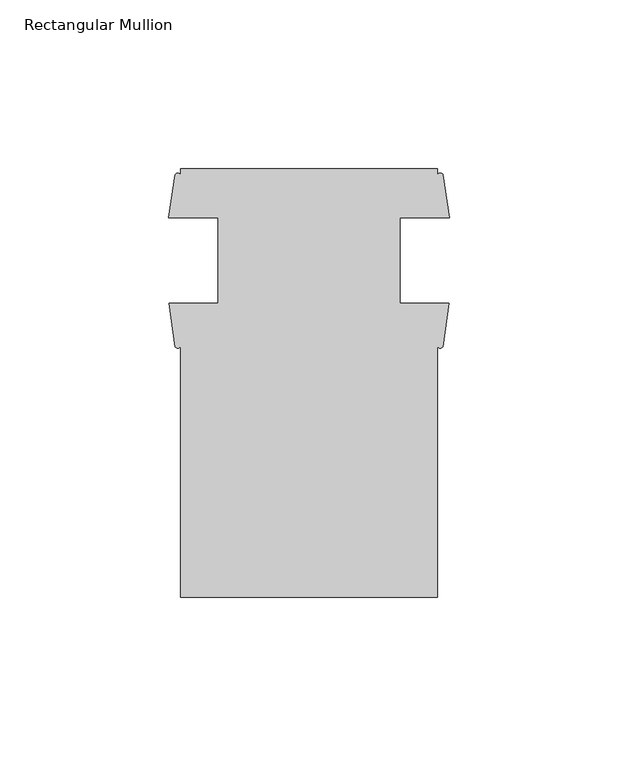
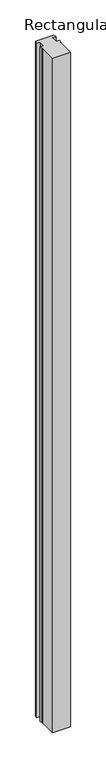
"""IFC4 building model written with IfcOpenShell, lengths in millimetres: member geometry, Rectangular Mullion."""

import ifcopenshell
import ifcopenshell.guid

model = None  # the IFC model being written
_history = None  # IfcOwnerHistory: only IFC2X3 demands one
_inside = {}  # id of a spatial element -> (the spatial element, [elements in it])
_under = {}  # id of a project, library or spatial element -> (it, [spatial elements below it])
_declared = {}  # id of a project -> (the project, [libraries it declares])
_typed = {}  # id of a type object -> (the type object, [elements of that type])
_made_of = {}  # id of a material, layer set ... -> (it, [elements and type objects made of it])


def new_model(schema):
    """Start an empty IFC model of exactly this schema.

    Asked for "IFC4X3", IfcOpenShell would pick the latest addendum, in which some entities
    have other attributes; the version numbers below select the first issue.
    IFC2X3 requires an IfcOwnerHistory on every rooted entity: one is made here for all.
    """
    global model, _history
    if schema == "IFC4X3":
        model = ifcopenshell.file(schema_version=(4, 3, 0, 0))
    else:
        model = ifcopenshell.file(schema=schema)
    _inside.clear()
    _under.clear()
    _declared.clear()
    _typed.clear()
    _made_of.clear()
    _history = None
    if model.schema == "IFC2X3":
        org = make("IfcOrganization", Name="unknown")
        user = make(
            "IfcPersonAndOrganization",
            ThePerson=make("IfcPerson", FamilyName="unknown"),
            TheOrganization=org,
        )
        app = make(
            "IfcApplication",
            ApplicationDeveloper=org,
            Version="unknown",
            ApplicationFullName="unknown",
            ApplicationIdentifier="unknown",
        )
        _history = make(
            "IfcOwnerHistory",
            OwningUser=user,
            OwningApplication=app,
            ChangeAction="ADDED",
            CreationDate=0,
        )
    return model


def make(cls, **values):
    """One entity of the class cls with the attributes given. An attribute that is None is left unset."""
    return model.create_entity(
        cls, **{name: value for name, value in values.items() if value is not None}
    )


def rooted(cls, **values):
    """An entity with a GlobalId (a new one), such as an element, a storey or a relation."""
    return make(cls, GlobalId=ifcopenshell.guid.new(), OwnerHistory=_history, **values)


def si_unit(unit_type, name, prefix=None):
    """IfcSIUnit, for example si_unit("LENGTHUNIT", "METRE", prefix="MILLI")."""
    return make("IfcSIUnit", UnitType=unit_type, Prefix=prefix, Name=name)


def assignment(units):
    """IfcUnitAssignment: the units of a project."""
    return None if units is None else make("IfcUnitAssignment", Units=units)


def point(xyz):
    """IfcCartesianPoint."""
    return None if xyz is None else make("IfcCartesianPoint", Coordinates=xyz)


def direction(xyz):
    """IfcDirection."""
    return None if xyz is None else make("IfcDirection", DirectionRatios=xyz)


def frame(location, z_axis=None, x_axis=None):
    """IfcAxis2Placement3D, a coordinate frame: its origin and axes. An axis left out is left unset."""
    return make(
        "IfcAxis2Placement3D",
        Location=point(location),
        Axis=direction(z_axis),
        RefDirection=direction(x_axis),
    )


def frame_2d(location, x_axis=None):
    """IfcAxis2Placement2D, a coordinate frame in the plane: its origin and x axis."""
    return make(
        "IfcAxis2Placement2D", Location=point(location), RefDirection=direction(x_axis)
    )


def origin():
    """The frame at (0, 0, 0) with its axes left unset."""
    return frame((0.0, 0.0, 0.0))


def place(relative_to, where):
    """IfcLocalPlacement: puts the frame where relative to a parent placement (None: the world)."""
    return make(
        "IfcLocalPlacement", PlacementRelTo=relative_to, RelativePlacement=where
    )


def context(
    kind, dimensions, precision=None, world=None, true_north=None, identifier=None
):
    """IfcGeometricRepresentationContext, for example the 3D "Model" context."""
    return make(
        "IfcGeometricRepresentationContext",
        ContextIdentifier=identifier,
        ContextType=kind,
        CoordinateSpaceDimension=dimensions,
        Precision=precision,
        WorldCoordinateSystem=world,
        TrueNorth=true_north,
    )


def project(units=None, contexts=None):
    """IfcProject with its units and contexts."""
    return rooted(
        "IfcProject",
        Name="project",
        RepresentationContexts=contexts,
        UnitsInContext=assignment(units),
    )


def spatial(cls, under=None, at=None, **own):
    """A site, building, storey or space (cls), placed at a placement, below another one or the project."""
    s = rooted(cls, ObjectPlacement=at, **own)
    if under is not None:
        _under.setdefault(under.id(), (under, []))[1].append(s)
    return s


def polyline(points):
    """IfcPolyline through the points."""
    return make("IfcPolyline", Points=[point(p) for p in points])


def circle_curve(where, radius):
    """IfcCircle in the frame where."""
    return make("IfcCircle", Position=where, Radius=radius)


def trimmed(basis, trim1, trim2, sense, master):
    """IfcTrimmedCurve: the piece of a basis curve between two trims."""
    return make(
        "IfcTrimmedCurve",
        BasisCurve=basis,
        Trim1=trim1,
        Trim2=trim2,
        SenseAgreement=sense,
        MasterRepresentation=master,
    )


def segment(curve, same_sense, transition):
    """IfcCompositeCurveSegment."""
    return make(
        "IfcCompositeCurveSegment",
        Transition=transition,
        SameSense=same_sense,
        ParentCurve=curve,
    )


def composite_curve(segments, self_intersect=None):
    """IfcCompositeCurve: segments joined end to end."""
    return make("IfcCompositeCurve", Segments=segments, SelfIntersect=self_intersect)


def outline(outer, holes=None, kind="AREA"):
    """IfcArbitraryClosedProfileDef: a profile drawn as a closed curve; with holes, ...WithVoids."""
    if holes is None:
        return make("IfcArbitraryClosedProfileDef", ProfileType=kind, OuterCurve=outer)
    return make(
        "IfcArbitraryProfileDefWithVoids",
        ProfileType=kind,
        OuterCurve=outer,
        InnerCurves=holes,
    )


def extrude(swept, where, along, depth):
    """IfcExtrudedAreaSolid: the profile swept, set in the frame where, extruded along a direction by depth."""
    return make(
        "IfcExtrudedAreaSolid",
        SweptArea=swept,
        Position=where,
        ExtrudedDirection=direction(along),
        Depth=depth,
    )


def shape(context_of_items, identifier, shape_type, items):
    """IfcShapeRepresentation: the items that make up one representation, for example the "Body"."""
    return make(
        "IfcShapeRepresentation",
        ContextOfItems=context_of_items,
        RepresentationIdentifier=identifier,
        RepresentationType=shape_type,
        Items=items,
    )


def source(mapping_origin, context_of_items, identifier, shape_type, items):
    """IfcRepresentationMap: a shape defined once, which mapped items show again and again."""
    return make(
        "IfcRepresentationMap",
        MappingOrigin=mapping_origin,
        MappedRepresentation=shape(context_of_items, identifier, shape_type, items),
    )


def transform(
    local_origin,
    x_axis=None,
    y_axis=None,
    z_axis=None,
    scale=None,
    scale2=None,
    scale3=None,
    uniform=True,
):
    """IfcCartesianTransformationOperator3D, or its non-uniform kind. x_axis, y_axis, z_axis: its Axis1, 2, 3."""
    if uniform:
        return make(
            "IfcCartesianTransformationOperator3D",
            Axis1=direction(x_axis),
            Axis2=direction(y_axis),
            LocalOrigin=point(local_origin),
            Scale=scale,
            Axis3=direction(z_axis),
        )
    return make(
        "IfcCartesianTransformationOperator3DnonUniform",
        Axis1=direction(x_axis),
        Axis2=direction(y_axis),
        LocalOrigin=point(local_origin),
        Scale=scale,
        Axis3=direction(z_axis),
        Scale2=scale2,
        Scale3=scale3,
    )


def mapped(mapping_source, mapping_target):
    """IfcMappedItem: shows the shape of a source again, moved by a transform."""
    return make(
        "IfcMappedItem", MappingSource=mapping_source, MappingTarget=mapping_target
    )


def made_of(thing, what):
    """Note that an element or type object is made of a material, layer set ...; save() writes the relation."""
    if what is not None:
        _made_of.setdefault(what.id(), (what, []))[1].append(thing)
    return thing


def element(
    cls,
    number,
    at=None,
    inside=None,
    cuts=None,
    type_object=None,
    material=None,
    context=None,
    identifier="Body",
    shape_type=None,
    held_by="IfcProductDefinitionShape",
    body=None,
    shapes=None,
    **own,
):
    """One element of the class cls, such as IfcWall. Its Tag is "e" and its number.

    at: its placement. inside: the storey or other place that contains it. cuts: it is an
    opening in that element (IfcRelVoidsElement). A single representation is given by context,
    identifier, shape_type and body (its items); several are given by shapes. held_by: the class
    of the entity that holds the representations. save() writes the other relations.
    """
    e = rooted(cls, Tag="e%d" % number, ObjectPlacement=at, **own)
    if body is not None:
        shapes = [shape(context, identifier, shape_type, body)]
    if shapes is not None:
        e.Representation = make(held_by, Representations=shapes)
    if inside is not None:
        _inside.setdefault(inside.id(), (inside, []))[1].append(e)
    if cuts is not None:
        rooted(
            "IfcRelVoidsElement", RelatingBuildingElement=cuts, RelatedOpeningElement=e
        )
    if type_object is not None:
        _typed.setdefault(type_object.id(), (type_object, []))[1].append(e)
    return made_of(e, material)


def aggregate(whole, parts):
    """IfcRelAggregates: a whole, such as a stair, and the parts it consists of."""
    return rooted("IfcRelAggregates", RelatingObject=whole, RelatedObjects=parts)


def save(model, path):
    """Write the relations noted so far, then the file.

    IfcRelAggregates (storeys below a building ...), IfcRelContainedInSpatialStructure (elements
    in a storey), IfcRelDefinesByType, IfcRelAssociatesMaterial and IfcRelDeclares: one each for
    every whole, place, type object, material and project.
    """
    for whole, parts in _under.values():
        aggregate(whole, parts)
    for where, things in _inside.values():
        rooted(
            "IfcRelContainedInSpatialStructure",
            RelatedElements=things,
            RelatingStructure=where,
        )
    for kind, things in _typed.values():
        rooted("IfcRelDefinesByType", RelatedObjects=things, RelatingType=kind)
    for what, things in _made_of.values():
        rooted("IfcRelAssociatesMaterial", RelatedObjects=things, RelatingMaterial=what)
    for by, libraries in _declared.values():
        rooted("IfcRelDeclares", RelatingContext=by, RelatedDefinitions=libraries)
    model.write(path)


def rectangular_mullion_1a3d2d96(model_context):
    return source(origin(), model_context, "Body", "SweptSolid", [
        extrude(outline(composite_curve([segment(polyline([(-79.7194629, 84.8800451), (-3.5195217, 84.8800451), (-3.5195217, 83.1495729)]), True, "CONTINUOUS"), segment(trimmed(circle_curve(frame_2d((-2.6878195, 82.6296407)), 0.9808456), [point((-3.5195217, 83.1495729))], [point((-1.8561173, 83.1495729))], False, "CARTESIAN"), True, "CONTINUOUS"), segment(polyline([(-1.8561173, 83.1495729), (0.0, 70.3765201), (-14.6319629, 70.3765201), (-14.6319629, 44.9765201), (-0.1235217, 44.9765201), (-1.9336255, 32.2052326)]), True, "CONTINUOUS"), segment(trimmed(circle_curve(frame_2d((-2.7265736, 32.6153927)), 0.8927475), [point((-1.9336255, 32.2052326))], [point((-3.5195217, 32.2052326))], False, "CARTESIAN"), True, "CONTINUOUS"), segment(polyline([(-3.5195217, 32.2052326), (-3.5195217, -42.1199549), (-79.7194629, -42.1199549), (-79.7194629, 32.2052326)]), True, "CONTINUOUS"), segment(trimmed(circle_curve(frame_2d((-80.512411, 32.627807)), 0.8985187), [point((-79.7194629, 32.2052326))], [point((-81.3053591, 32.2052326))], False, "CARTESIAN"), True, "CONTINUOUS"), segment(polyline([(-81.3053591, 32.2052326), (-83.1154629, 44.9765201), (-68.6069629, 44.9765201), (-68.6069629, 70.3765201), (-83.2389846, 70.3765201), (-81.3828673, 83.1495729)]), True, "CONTINUOUS"), segment(trimmed(circle_curve(frame_2d((-80.5511651, 82.5318742)), 1.0359924), [point((-81.3828673, 83.1495729))], [point((-79.7194629, 83.1495729))], False, "CARTESIAN"), True, "CONTINUOUS"), segment(polyline([(-79.7194629, 83.1495729), (-79.7194629, 84.8800451)]), True, "CONTINUOUS")], self_intersect=False)), frame((0.0, 0.0, -3048.0), z_axis=(0.0, 0.0, 1.0), x_axis=(1.0, 0.0, 0.0)), (0.0, 0.0, 1.0), 3048.0),
    ])


if __name__ == "__main__":
    model = new_model("IFC4")
    model_context = context("Model", 3, world=origin())
    ifc_project = project(units=[si_unit("LENGTHUNIT", "METRE", prefix="MILLI")], contexts=[model_context])
    site = spatial("IfcSite", under=ifc_project)
    building = spatial("IfcBuilding", under=site)
    placement = place(None, origin())
    rectangular_mullion_shape = rectangular_mullion_1a3d2d96(model_context)
    element("IfcMember", 1, ObjectType="Rectangular Mullion", at=placement, inside=building, context=model_context, shape_type="MappedRepresentation", body=[
        mapped(rectangular_mullion_shape, transform((0.0, 0.0, 0.0), x_axis=(1.0, 0.0, 0.0), y_axis=(0.0, 1.0, 0.0), z_axis=(0.0, 0.0, 1.0))),
    ])
    save(model, "model.ifc")
